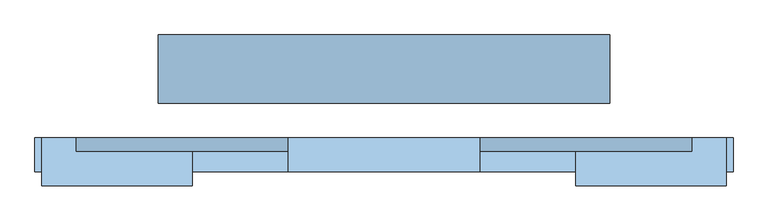
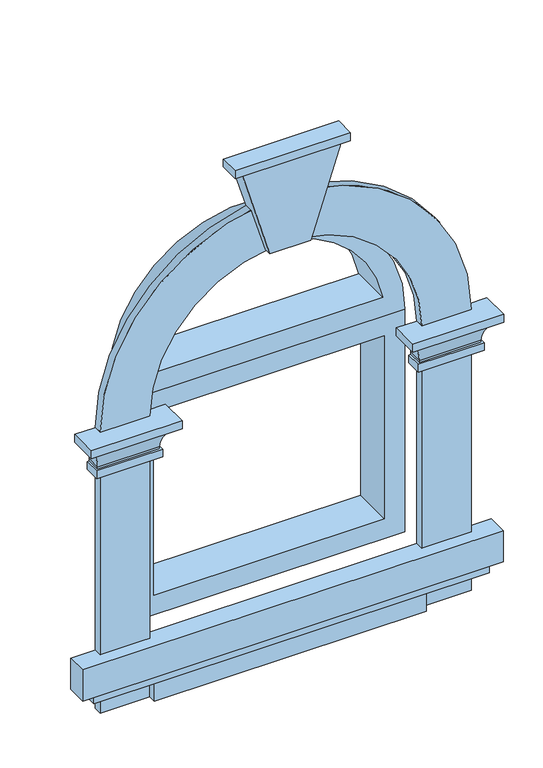
"""IFC4 building model written with IfcOpenShell, lengths in millimetres: window geometry."""

from ifc_helpers import new_model, si_unit, point, frame, frame_2d, origin, place, context, project, spatial, polyline, circle_curve, ellipse_curve, trimmed, segment, composite_curve, outline, extrude, faceted_brep, source, transform, mapped, element, save
from ifc_brep_helpers import plane_surface, revolved_surface, advanced_brep


def window_53c1fd27(model_context):
    return source(origin(), model_context, "Body", "SolidModel", [
        extrude(outline(composite_curve([segment(polyline([(650.0, 450.0), (1370.0, 450.0)]), True, "CONTINUOUS"), segment(trimmed(circle_curve(frame_2d((1370.0, 0.0)), 450.0), [point((1370.0, 450.0))], [point((1370.0, -450.0))], False, "CARTESIAN"), True, "CONTINUOUS"), segment(polyline([(1370.0, -450.0), (650.0, -450.0), (650.0, -330.0), (1370.0, -330.0)]), True, "CONTINUOUS"), segment(trimmed(circle_curve(frame_2d((1370.0, 0.0)), 330.0), [point((1370.0, -330.0))], [point((1370.0, 330.0))], True, "CARTESIAN"), True, "CONTINUOUS"), segment(polyline([(1370.0, 330.0), (650.0, 330.0), (650.0, 450.0)]), True, "CONTINUOUS")], self_intersect=False)), frame((0.0, -120.0, 0.0), z_axis=(0.0, 1.0, 0.0), x_axis=(0.0, 0.0, 1.0)), (0.0, 0.0, 1.0), 20.0),
        extrude(outline(polyline([(800.0, -330.0), (800.0, 330.0), (1370.0, 330.0), (1370.0, -330.0), (800.0, -330.0)]), holes=[polyline([(850.0, 280.0), (850.0, -280.0), (1320.0, -280.0), (1320.0, 280.0), (850.0, 280.0)])]), frame((0.0, -50.0, 0.0), z_axis=(0.0, 1.0, 0.0), x_axis=(0.0, 0.0, 1.0)), (0.0, 0.0, 1.0), 100.0),
        faceted_brep([(120.0, -100.0, 1930.0), (-120.0, -100.0, 1930.0), (-120.0, -145.0, 1930.0), (120.0, -145.0, 1930.0), (50.0, -100.0, 1700.0), (50.0, -140.0, 1700.0), (-50.0, -140.0, 1700.0), (-50.0, -100.0, 1700.0)], [[[0, 1, 2, 3]], [[4, 5, 6, 7]], [[4, 0, 3, 5]], [[5, 3, 2, 6]], [[6, 2, 1, 7]], [[7, 1, 0, 4]]]),
        extrude(outline(polyline([(140.0, -100.0), (140.0, -150.0), (-140.0, -150.0), (-140.0, -100.0), (140.0, -100.0)])), frame((0.0, 0.0, 1930.0), z_axis=(0.0, 0.0, 1.0), x_axis=(1.0, 0.0, 0.0)), (0.0, 0.0, 1.0), 20.0),
        advanced_brep(
        [(500.0, -100.0, 1370.0), (500.0, -100.0, 1350.0), (495.0, -100.0, 1350.0), (465.0, -100.0, 1295.0), (465.0, -100.0, 1290.0), (470.0, -100.0, 1290.0), (470.0, -100.0, 1270.0), (450.0, -100.0, 1270.0), (450.0, -100.0, 1370.0), (450.0, -120.0, 1370.0), (330.0, -120.0, 1370.0), (330.0, -100.0, 1370.0), (280.0, -100.0, 1370.0), (280.0, -170.0, 1370.0), (500.0, -170.0, 1370.0), (450.0, -120.0, 1270.0), (470.0, -140.0, 1270.0), (310.0, -140.0, 1270.0), (310.0, -100.0, 1270.0), (330.0, -100.0, 1270.0), (330.0, -120.0, 1270.0), (470.0, -140.0, 1290.0), (465.0, -135.0, 1290.0), (315.0, -135.0, 1290.0), (315.0, -100.0, 1290.0), (310.0, -100.0, 1290.0), (310.0, -140.0, 1290.0), (465.0, -135.0, 1295.0), (495.0, -165.0, 1350.0), (500.0, -170.0, 1350.0), (280.0, -170.0, 1350.0), (280.0, -100.0, 1350.0), (285.0, -100.0, 1350.0), (285.0, -165.0, 1350.0), (315.0, -135.0, 1295.0), (315.0, -100.0, 1295.0)],
        [
            (0, 1),
            (1, 2),
            (2, 3, circle_curve(frame((530.4166667, -100.0, 1295.0), z_axis=(0.0, -1.0, 0.0), x_axis=(-1.0, 0.0, 0.0)), 65.4166667)),
            (3, 4),
            (4, 5),
            (5, 6),
            (6, 7),
            (7, 8),
            (8, 0),
            (8, 9),
            (9, 10),
            (10, 11),
            (11, 12),
            (12, 13),
            (13, 14),
            (14, 0),
            (7, 15),
            (15, 9),
            (6, 16),
            (16, 17),
            (17, 18),
            (18, 19),
            (19, 20),
            (20, 15),
            (5, 21),
            (21, 16),
            (4, 22),
            (22, 23),
            (23, 24),
            (24, 25),
            (25, 26),
            (26, 21),
            (3, 27),
            (27, 22),
            (2, 28),
            (28, 27, ellipse_curve(frame((530.4166667, -200.4166667, 1295.0), z_axis=(-0.7071067811865475, -0.7071067811865475, 0.0), x_axis=(0.7071067811865474, -0.7071067811865476, 0.0)), 92.5131372, 65.4166667)),
            (1, 29),
            (29, 30),
            (30, 31),
            (31, 32),
            (32, 33),
            (33, 28),
            (14, 29),
            (20, 10),
            (26, 17),
            (27, 34),
            (34, 23),
            (33, 34, ellipse_curve(frame((249.5833333, -200.4166667, 1295.0), z_axis=(-0.7071067811865475, 0.7071067811865475, 0.0), x_axis=(-0.7071067811865476, -0.7071067811865474, 0.0)), 92.5131372, 65.4166667)),
            (13, 30),
            (11, 19),
            (18, 25),
            (24, 35),
            (35, 32, circle_curve(frame((249.5833333, -100.0, 1295.0), z_axis=(0.0, -1.0, 0.0), x_axis=(1.0, 0.0, 0.0)), 65.4166667)),
            (31, 12),
            (34, 35),
        ],
        [
            plane_surface(frame((450.0, -100.0, 0.0), z_axis=(0.0, 1.0, 0.0), x_axis=(0.0, 0.0, 1.0))),
            plane_surface(frame((500.0, -100.0, 1370.0), z_axis=(0.0, 0.0, 1.0), x_axis=(0.0, -1.0, 0.0))),
            plane_surface(frame((450.0, -100.0, 1370.0), z_axis=(-1.0, 0.0, 0.0), x_axis=(0.0, -1.0, 0.0))),
            plane_surface(frame((450.0, -100.0, 1270.0), z_axis=(0.0, 0.0, -1.0), x_axis=(0.0, -1.0, 0.0))),
            plane_surface(frame((470.0, -100.0, 1270.0), z_axis=(1.0, 0.0, 0.0), x_axis=(0.0, -1.0, 0.0))),
            plane_surface(frame((470.0, -100.0, 1290.0), z_axis=(0.0, 0.0, 1.0), x_axis=(0.0, -1.0, 0.0))),
            plane_surface(frame((465.0, -100.0, 1290.0), z_axis=(1.0, 0.0, 0.0), x_axis=(0.0, -1.0, 0.0))),
            revolved_surface(polyline([(464.99999999999994, -265.83333336296147, 1295.0), (464.99999999999994, -100.0, 1295.0)]), (530.4166667, -100.0, 1295.0), (0.0, -1.0, 0.0)),
            plane_surface(frame((495.0, -100.0, 1350.0), z_axis=(0.0, 0.0, -1.0), x_axis=(0.0, -1.0, 0.0))),
            plane_surface(frame((500.0, -100.0, 1350.0), z_axis=(1.0, 0.0, 0.0), x_axis=(0.0, -1.0, 0.0))),
            plane_surface(frame((450.0, -120.0, 1370.0), z_axis=(0.0, 1.0, 0.0), x_axis=(-1.0, 0.0, 0.0))),
            plane_surface(frame((470.0, -140.0, 1270.0), z_axis=(0.0, -1.0, 0.0), x_axis=(-1.0, 0.0, 0.0))),
            plane_surface(frame((465.0, -135.0, 1290.0), z_axis=(0.0, -1.0, 0.0), x_axis=(-1.0, 0.0, 0.0))),
            revolved_surface(polyline([(184.16666663703853, -135.0, 1295.0), (595.8333333629614, -135.0, 1295.0)]), (450.0, -200.4166667, 1295.0), (-1.0, 0.0, 0.0)),
            plane_surface(frame((500.0, -170.0, 1350.0), z_axis=(0.0, -1.0, 0.0), x_axis=(-1.0, 0.0, 0.0))),
            plane_surface(frame((330.0, -100.0, 0.0), z_axis=(0.0, 1.0, 0.0), x_axis=(0.0, 0.0, 1.0))),
            plane_surface(frame((330.0, -120.0, 1370.0), z_axis=(1.0, 0.0, 0.0), x_axis=(0.0, 1.0, 0.0))),
            plane_surface(frame((310.0, -140.0, 1270.0), z_axis=(-1.0, 0.0, 0.0), x_axis=(0.0, 1.0, 0.0))),
            plane_surface(frame((315.0, -135.0, 1290.0), z_axis=(-1.0, 0.0, 0.0), x_axis=(0.0, 1.0, 0.0))),
            revolved_surface(polyline([(315.0, -100.0, 1295.0), (315.0, -265.8333333629614, 1295.0)]), (249.5833333, -120.0, 1295.0), (0.0, 1.0, 0.0)),
            plane_surface(frame((280.0, -170.0, 1350.0), z_axis=(-1.0, 0.0, 0.0), x_axis=(0.0, 1.0, 0.0))),
        ],
        [
            (0, [[1, 2, 3, 4, 5, 6, 7, 8, 9]]),
            (1, [[10, 11, 12, 13, 14, 15, 16, -9]]),
            (2, [[17, 18, -10, -8]]),
            (3, [[19, 20, 21, 22, 23, 24, -17, -7]]),
            (4, [[25, 26, -19, -6]]),
            (5, [[27, 28, 29, 30, 31, 32, -25, -5]]),
            (6, [[33, 34, -27, -4]]),
            (7, [[35, 36, -33, -3]]),
            (8, [[37, 38, 39, 40, 41, 42, -35, -2]]),
            (9, [[-16, 43, -37, -1]]),
            (10, [[-24, 44, -11, -18]]),
            (11, [[-32, 45, -20, -26]]),
            (12, [[46, 47, -28, -34]]),
            (13, [[-42, 48, -46, -36]]),
            (14, [[-15, 49, -38, -43]]),
            (15, [[-13, 50, -22, 51, -30, 52, 53, -40, 54]]),
            (16, [[-23, -50, -12, -44]]),
            (17, [[-31, -51, -21, -45]]),
            (18, [[55, -52, -29, -47]]),
            (19, [[-41, -53, -55, -48]]),
            (20, [[-14, -54, -39, -49]]),
        ],
    ),
        advanced_brep(
        [(-280.0, -100.0, 1370.0), (-280.0, -100.0, 1350.0), (-285.0, -100.0, 1350.0), (-315.0, -100.0, 1295.0), (-315.0, -100.0, 1290.0), (-310.0, -100.0, 1290.0), (-310.0, -100.0, 1270.0), (-330.0, -100.0, 1270.0), (-330.0, -100.0, 1370.0), (-330.0, -120.0, 1370.0), (-450.0, -120.0, 1370.0), (-450.0, -100.0, 1370.0), (-500.0, -100.0, 1370.0), (-500.0, -170.0, 1370.0), (-280.0, -170.0, 1370.0), (-330.0, -120.0, 1270.0), (-310.0, -140.0, 1270.0), (-470.0, -140.0, 1270.0), (-470.0, -100.0, 1270.0), (-450.0, -100.0, 1270.0), (-450.0, -120.0, 1270.0), (-310.0, -140.0, 1290.0), (-280.0, -170.0, 1350.0), (-500.0, -170.0, 1350.0), (-500.0, -100.0, 1350.0), (-495.0, -100.0, 1350.0), (-495.0, -165.0, 1350.0), (-285.0, -165.0, 1350.0), (-470.0, -140.0, 1290.0), (-470.0, -100.0, 1290.0), (-465.0, -100.0, 1290.0), (-465.0, -100.0, 1295.0), (-315.0, -135.0, 1290.0), (-465.0, -135.0, 1290.0), (-315.0, -135.0, 1295.0), (-465.0, -135.0, 1295.0)],
        [
            (0, 1),
            (1, 2),
            (2, 3, circle_curve(frame((-249.5833333, -100.0, 1295.0), z_axis=(0.0, -1.0, 0.0), x_axis=(-1.0, 0.0, 0.0)), 65.4166667)),
            (3, 4),
            (4, 5),
            (5, 6),
            (6, 7),
            (7, 8),
            (8, 0),
            (8, 9),
            (9, 10),
            (10, 11),
            (11, 12),
            (12, 13),
            (13, 14),
            (14, 0),
            (7, 15),
            (15, 9),
            (6, 16),
            (16, 17),
            (17, 18),
            (18, 19),
            (19, 20),
            (20, 15),
            (5, 21),
            (21, 16),
            (1, 22),
            (22, 23),
            (23, 24),
            (24, 25),
            (25, 26),
            (26, 27),
            (27, 2),
            (14, 22),
            (20, 10),
            (21, 28),
            (28, 17),
            (13, 23),
            (11, 19),
            (18, 29),
            (29, 30),
            (30, 31),
            (31, 25, circle_curve(frame((-530.4166667, -100.0, 1295.0), z_axis=(0.0, -1.0, 0.0), x_axis=(1.0, 0.0, 0.0)), 65.4166667)),
            (24, 12),
            (28, 29),
            (4, 32),
            (32, 33),
            (33, 30),
            (3, 34),
            (34, 32),
            (27, 34, ellipse_curve(frame((-249.5833333, -200.4166667, 1295.0), z_axis=(-0.7071067811865475, -0.7071067811865475, 0.0), x_axis=(0.7071067811865474, -0.7071067811865476, 0.0)), 92.5131372, 65.4166667)),
            (34, 35),
            (35, 33),
            (26, 35, ellipse_curve(frame((-530.4166667, -200.4166667, 1295.0), z_axis=(-0.7071067811865475, 0.7071067811865475, 0.0), x_axis=(-0.7071067811865476, -0.7071067811865474, 0.0)), 92.5131372, 65.4166667)),
            (35, 31),
        ],
        [
            plane_surface(frame((-330.0, -100.0, 0.0), z_axis=(0.0, 1.0, 0.0), x_axis=(0.0, 0.0, 1.0))),
            plane_surface(frame((-280.0, -100.0, 1370.0), z_axis=(0.0, 0.0, 1.0), x_axis=(0.0, -1.0, 0.0))),
            plane_surface(frame((-330.0, -100.0, 1370.0), z_axis=(-1.0, 0.0, 0.0), x_axis=(0.0, -1.0, 0.0))),
            plane_surface(frame((-330.0, -100.0, 1270.0), z_axis=(0.0, 0.0, -1.0), x_axis=(0.0, -1.0, 0.0))),
            plane_surface(frame((-310.0, -100.0, 1270.0), z_axis=(1.0, 0.0, 0.0), x_axis=(0.0, -1.0, 0.0))),
            plane_surface(frame((-285.0, -100.0, 1350.0), z_axis=(0.0, 0.0, -1.0), x_axis=(0.0, -1.0, 0.0))),
            plane_surface(frame((-280.0, -100.0, 1350.0), z_axis=(1.0, 0.0, 0.0), x_axis=(0.0, -1.0, 0.0))),
            plane_surface(frame((-330.0, -120.0, 1370.0), z_axis=(0.0, 1.0, 0.0), x_axis=(-1.0, 0.0, 0.0))),
            plane_surface(frame((-310.0, -140.0, 1270.0), z_axis=(0.0, -1.0, 0.0), x_axis=(-1.0, 0.0, 0.0))),
            plane_surface(frame((-280.0, -170.0, 1350.0), z_axis=(0.0, -1.0, 0.0), x_axis=(-1.0, 0.0, 0.0))),
            plane_surface(frame((-450.0, -100.0, 0.0), z_axis=(0.0, 1.0, 0.0), x_axis=(0.0, 0.0, 1.0))),
            plane_surface(frame((-450.0, -120.0, 1370.0), z_axis=(1.0, 0.0, 0.0), x_axis=(0.0, 1.0, 0.0))),
            plane_surface(frame((-470.0, -140.0, 1270.0), z_axis=(-1.0, 0.0, 0.0), x_axis=(0.0, 1.0, 0.0))),
            plane_surface(frame((-500.0, -170.0, 1350.0), z_axis=(-1.0, 0.0, 0.0), x_axis=(0.0, 1.0, 0.0))),
            plane_surface(frame((-310.0, -100.0, 1290.0), z_axis=(0.0, 0.0, 1.0), x_axis=(0.0, -1.0, 0.0))),
            plane_surface(frame((-315.0, -100.0, 1290.0), z_axis=(1.0, 0.0, 0.0), x_axis=(0.0, -1.0, 0.0))),
            revolved_surface(polyline([(-315.0, -265.83333336296147, 1295.0), (-315.0, -100.0, 1295.0)]), (-249.5833333, -100.0, 1295.0), (0.0, -1.0, 0.0)),
            plane_surface(frame((-315.0, -135.0, 1290.0), z_axis=(0.0, -1.0, 0.0), x_axis=(-1.0, 0.0, 0.0))),
            revolved_surface(polyline([(-595.8333333629614, -135.0, 1295.0), (-184.16666663703856, -135.0, 1295.0)]), (-330.0, -200.4166667, 1295.0), (-1.0, 0.0, 0.0)),
            plane_surface(frame((-465.0, -135.0, 1290.0), z_axis=(-1.0, 0.0, 0.0), x_axis=(0.0, 1.0, 0.0))),
            revolved_surface(polyline([(-464.99999999999994, -100.0, 1295.0), (-464.99999999999994, -265.8333333629614, 1295.0)]), (-530.4166667, -120.0, 1295.0), (0.0, 1.0, 0.0)),
        ],
        [
            (0, [[1, 2, 3, 4, 5, 6, 7, 8, 9]]),
            (1, [[10, 11, 12, 13, 14, 15, 16, -9]]),
            (2, [[17, 18, -10, -8]]),
            (3, [[19, 20, 21, 22, 23, 24, -17, -7]]),
            (4, [[25, 26, -19, -6]]),
            (5, [[27, 28, 29, 30, 31, 32, 33, -2]]),
            (6, [[-16, 34, -27, -1]]),
            (7, [[-24, 35, -11, -18]]),
            (8, [[36, 37, -20, -26]]),
            (9, [[-15, 38, -28, -34]]),
            (10, [[-13, 39, -22, 40, 41, 42, 43, -30, 44]]),
            (11, [[-23, -39, -12, -35]]),
            (12, [[45, -40, -21, -37]]),
            (13, [[-14, -44, -29, -38]]),
            (14, [[46, 47, 48, -41, -45, -36, -25, -5]]),
            (15, [[49, 50, -46, -4]]),
            (16, [[-33, 51, -49, -3]]),
            (17, [[52, 53, -47, -50]]),
            (18, [[-32, 54, -52, -51]]),
            (19, [[55, -42, -48, -53]]),
            (20, [[-31, -43, -55, -54]]),
        ],
    ),
        extrude(outline(polyline([(330.0, -100.0), (330.0, -140.0), (-330.0, -140.0), (-330.0, -100.0), (330.0, -100.0)])), frame((0.0, 0.0, 650.0), z_axis=(0.0, 0.0, 1.0), x_axis=(1.0, 0.0, 0.0)), (0.0, 0.0, 1.0), 50.0),
        extrude(outline(polyline([(480.0, -100.0), (480.0, -145.0), (-480.0, -145.0), (-480.0, -100.0), (480.0, -100.0)])), frame((0.0, 0.0, 700.0), z_axis=(0.0, 0.0, 1.0), x_axis=(1.0, 0.0, 0.0)), (0.0, 0.0, 1.0), 20.0),
        extrude(outline(polyline([(510.0, -100.0), (510.0, -150.0), (-510.0, -150.0), (-510.0, -100.0), (510.0, -100.0)])), frame((0.0, 0.0, 720.0), z_axis=(0.0, 0.0, 1.0), x_axis=(1.0, 0.0, 0.0)), (0.0, 0.0, 1.0), 80.0),
        extrude(outline(composite_curve([segment(polyline([(1370.0, -330.0), (1370.0, 330.0)]), True, "CONTINUOUS"), segment(trimmed(circle_curve(frame_2d((1370.0, 0.0)), 330.0), [point((1370.0, 330.0))], [point((1370.0, -330.0))], False, "CARTESIAN"), True, "CONTINUOUS")], self_intersect=False), holes=[composite_curve([segment(polyline([(1420.0, 275.4995463), (1420.0, -275.4995463)]), True, "CONTINUOUS"), segment(trimmed(circle_curve(frame_2d((1370.0, 0.0)), 280.0), [point((1420.0, -275.4995463))], [point((1420.0, 275.4995463))], True, "CARTESIAN"), True, "CONTINUOUS")], self_intersect=False)]), frame((0.0, -50.0, 0.0), z_axis=(0.0, 1.0, 0.0), x_axis=(0.0, 0.0, 1.0)), (0.0, 0.0, 1.0), 100.0),
    ])


if __name__ == "__main__":
    model = new_model("IFC4")
    model_context = context("Model", 3, world=origin())
    ifc_project = project(units=[si_unit("LENGTHUNIT", "METRE", prefix="MILLI")], contexts=[model_context])
    site = spatial("IfcSite", under=ifc_project)
    building = spatial("IfcBuilding", under=site)
    placement = place(None, origin())
    window_shape = window_53c1fd27(model_context)
    element("IfcWindow", 1, at=placement, inside=building, context=model_context, shape_type="MappedRepresentation", body=[
        mapped(window_shape, transform((0.0, 0.0, 0.0), x_axis=(1.0, 0.0, 0.0), y_axis=(0.0, 1.0, 0.0), z_axis=(0.0, 0.0, 1.0))),
    ])
    save(model, "model.ifc")
